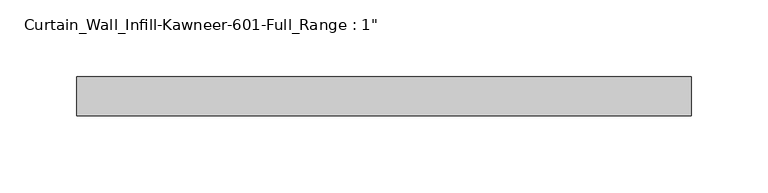
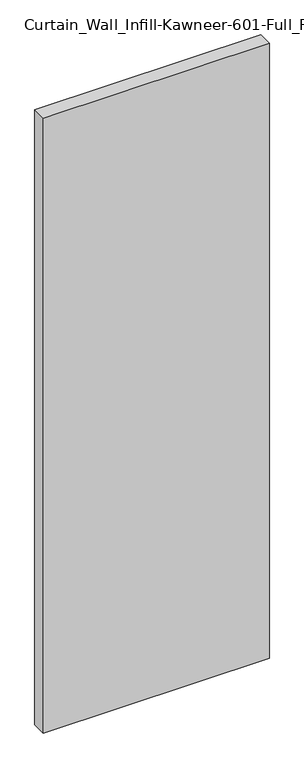
"""IFC4 building model written with IfcOpenShell, lengths in millimetres: plate geometry."""

from ifc_helpers import new_model, si_unit, origin, origin_with_axes, place, context, project, spatial, polyline, outline, extrude, source, transform, mapped, element, save


def plate_a9d7aa10(model_context):
    return source(origin(), model_context, "Body", "SweptSolid", [
        extrude(outline(polyline([(-200.025, 12.7), (200.025, 12.7), (200.025, -12.7), (-200.025, -12.7), (-200.025, 12.7)])), origin_with_axes(), (0.0, 0.0, 1.0), 1149.35),
    ])


if __name__ == "__main__":
    model = new_model("IFC4")
    model_context = context("Model", 3, world=origin())
    ifc_project = project(units=[si_unit("LENGTHUNIT", "METRE", prefix="MILLI")], contexts=[model_context])
    site = spatial("IfcSite", under=ifc_project)
    building = spatial("IfcBuilding", under=site)
    placement = place(None, origin())
    plate_shape = plate_a9d7aa10(model_context)
    element("IfcPlate", 1, ObjectType="Curtain_Wall_Infill-Kawneer-601-Full_Range : 1\"", at=placement, inside=building, context=model_context, shape_type="MappedRepresentation", body=[
        mapped(plate_shape, transform((0.0, 0.0, 0.0), x_axis=(1.0, 0.0, 0.0), y_axis=(0.0, 1.0, 0.0), z_axis=(0.0, 0.0, 1.0))),
    ])
    save(model, "model.ifc")
